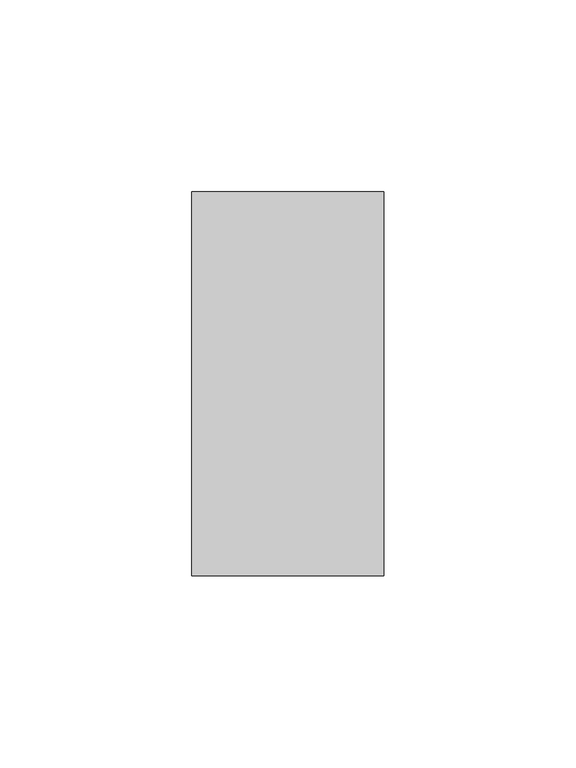
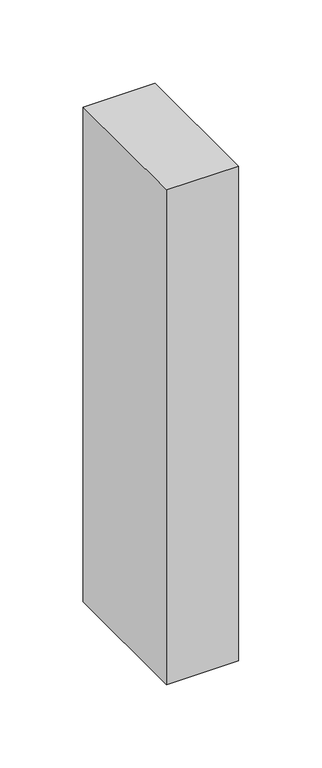
"""IFC4 building model written with IfcOpenShell, lengths in millimetres: member geometry."""

import ifcopenshell
import ifcopenshell.guid

model = None  # the IFC model being written
_history = None  # IfcOwnerHistory: only IFC2X3 demands one
_inside = {}  # id of a spatial element -> (the spatial element, [elements in it])
_under = {}  # id of a project, library or spatial element -> (it, [spatial elements below it])
_declared = {}  # id of a project -> (the project, [libraries it declares])
_typed = {}  # id of a type object -> (the type object, [elements of that type])
_made_of = {}  # id of a material, layer set ... -> (it, [elements and type objects made of it])


def new_model(schema):
    """Start an empty IFC model of exactly this schema.

    Asked for "IFC4X3", IfcOpenShell would pick the latest addendum, in which some entities
    have other attributes; the version numbers below select the first issue.
    IFC2X3 requires an IfcOwnerHistory on every rooted entity: one is made here for all.
    """
    global model, _history
    if schema == "IFC4X3":
        model = ifcopenshell.file(schema_version=(4, 3, 0, 0))
    else:
        model = ifcopenshell.file(schema=schema)
    _inside.clear()
    _under.clear()
    _declared.clear()
    _typed.clear()
    _made_of.clear()
    _history = None
    if model.schema == "IFC2X3":
        org = make("IfcOrganization", Name="unknown")
        user = make(
            "IfcPersonAndOrganization",
            ThePerson=make("IfcPerson", FamilyName="unknown"),
            TheOrganization=org,
        )
        app = make(
            "IfcApplication",
            ApplicationDeveloper=org,
            Version="unknown",
            ApplicationFullName="unknown",
            ApplicationIdentifier="unknown",
        )
        _history = make(
            "IfcOwnerHistory",
            OwningUser=user,
            OwningApplication=app,
            ChangeAction="ADDED",
            CreationDate=0,
        )
    return model


def make(cls, **values):
    """One entity of the class cls with the attributes given. An attribute that is None is left unset."""
    return model.create_entity(
        cls, **{name: value for name, value in values.items() if value is not None}
    )


def rooted(cls, **values):
    """An entity with a GlobalId (a new one), such as an element, a storey or a relation."""
    return make(cls, GlobalId=ifcopenshell.guid.new(), OwnerHistory=_history, **values)


def si_unit(unit_type, name, prefix=None):
    """IfcSIUnit, for example si_unit("LENGTHUNIT", "METRE", prefix="MILLI")."""
    return make("IfcSIUnit", UnitType=unit_type, Prefix=prefix, Name=name)


def assignment(units):
    """IfcUnitAssignment: the units of a project."""
    return None if units is None else make("IfcUnitAssignment", Units=units)


def point(xyz):
    """IfcCartesianPoint."""
    return None if xyz is None else make("IfcCartesianPoint", Coordinates=xyz)


def direction(xyz):
    """IfcDirection."""
    return None if xyz is None else make("IfcDirection", DirectionRatios=xyz)


def frame(location, z_axis=None, x_axis=None):
    """IfcAxis2Placement3D, a coordinate frame: its origin and axes. An axis left out is left unset."""
    return make(
        "IfcAxis2Placement3D",
        Location=point(location),
        Axis=direction(z_axis),
        RefDirection=direction(x_axis),
    )


def origin():
    """The frame at (0, 0, 0) with its axes left unset."""
    return frame((0.0, 0.0, 0.0))


def place(relative_to, where):
    """IfcLocalPlacement: puts the frame where relative to a parent placement (None: the world)."""
    return make(
        "IfcLocalPlacement", PlacementRelTo=relative_to, RelativePlacement=where
    )


def context(
    kind, dimensions, precision=None, world=None, true_north=None, identifier=None
):
    """IfcGeometricRepresentationContext, for example the 3D "Model" context."""
    return make(
        "IfcGeometricRepresentationContext",
        ContextIdentifier=identifier,
        ContextType=kind,
        CoordinateSpaceDimension=dimensions,
        Precision=precision,
        WorldCoordinateSystem=world,
        TrueNorth=true_north,
    )


def project(units=None, contexts=None):
    """IfcProject with its units and contexts."""
    return rooted(
        "IfcProject",
        Name="project",
        RepresentationContexts=contexts,
        UnitsInContext=assignment(units),
    )


def spatial(cls, under=None, at=None, **own):
    """A site, building, storey or space (cls), placed at a placement, below another one or the project."""
    s = rooted(cls, ObjectPlacement=at, **own)
    if under is not None:
        _under.setdefault(under.id(), (under, []))[1].append(s)
    return s


def polyline(points):
    """IfcPolyline through the points."""
    return make("IfcPolyline", Points=[point(p) for p in points])


def outline(outer, holes=None, kind="AREA"):
    """IfcArbitraryClosedProfileDef: a profile drawn as a closed curve; with holes, ...WithVoids."""
    if holes is None:
        return make("IfcArbitraryClosedProfileDef", ProfileType=kind, OuterCurve=outer)
    return make(
        "IfcArbitraryProfileDefWithVoids",
        ProfileType=kind,
        OuterCurve=outer,
        InnerCurves=holes,
    )


def extrude(swept, where, along, depth):
    """IfcExtrudedAreaSolid: the profile swept, set in the frame where, extruded along a direction by depth."""
    return make(
        "IfcExtrudedAreaSolid",
        SweptArea=swept,
        Position=where,
        ExtrudedDirection=direction(along),
        Depth=depth,
    )


def shape(context_of_items, identifier, shape_type, items):
    """IfcShapeRepresentation: the items that make up one representation, for example the "Body"."""
    return make(
        "IfcShapeRepresentation",
        ContextOfItems=context_of_items,
        RepresentationIdentifier=identifier,
        RepresentationType=shape_type,
        Items=items,
    )


def source(mapping_origin, context_of_items, identifier, shape_type, items):
    """IfcRepresentationMap: a shape defined once, which mapped items show again and again."""
    return make(
        "IfcRepresentationMap",
        MappingOrigin=mapping_origin,
        MappedRepresentation=shape(context_of_items, identifier, shape_type, items),
    )


def transform(
    local_origin,
    x_axis=None,
    y_axis=None,
    z_axis=None,
    scale=None,
    scale2=None,
    scale3=None,
    uniform=True,
):
    """IfcCartesianTransformationOperator3D, or its non-uniform kind. x_axis, y_axis, z_axis: its Axis1, 2, 3."""
    if uniform:
        return make(
            "IfcCartesianTransformationOperator3D",
            Axis1=direction(x_axis),
            Axis2=direction(y_axis),
            LocalOrigin=point(local_origin),
            Scale=scale,
            Axis3=direction(z_axis),
        )
    return make(
        "IfcCartesianTransformationOperator3DnonUniform",
        Axis1=direction(x_axis),
        Axis2=direction(y_axis),
        LocalOrigin=point(local_origin),
        Scale=scale,
        Axis3=direction(z_axis),
        Scale2=scale2,
        Scale3=scale3,
    )


def mapped(mapping_source, mapping_target):
    """IfcMappedItem: shows the shape of a source again, moved by a transform."""
    return make(
        "IfcMappedItem", MappingSource=mapping_source, MappingTarget=mapping_target
    )


def made_of(thing, what):
    """Note that an element or type object is made of a material, layer set ...; save() writes the relation."""
    if what is not None:
        _made_of.setdefault(what.id(), (what, []))[1].append(thing)
    return thing


def element(
    cls,
    number,
    at=None,
    inside=None,
    cuts=None,
    type_object=None,
    material=None,
    context=None,
    identifier="Body",
    shape_type=None,
    held_by="IfcProductDefinitionShape",
    body=None,
    shapes=None,
    **own,
):
    """One element of the class cls, such as IfcWall. Its Tag is "e" and its number.

    at: its placement. inside: the storey or other place that contains it. cuts: it is an
    opening in that element (IfcRelVoidsElement). A single representation is given by context,
    identifier, shape_type and body (its items); several are given by shapes. held_by: the class
    of the entity that holds the representations. save() writes the other relations.
    """
    e = rooted(cls, Tag="e%d" % number, ObjectPlacement=at, **own)
    if body is not None:
        shapes = [shape(context, identifier, shape_type, body)]
    if shapes is not None:
        e.Representation = make(held_by, Representations=shapes)
    if inside is not None:
        _inside.setdefault(inside.id(), (inside, []))[1].append(e)
    if cuts is not None:
        rooted(
            "IfcRelVoidsElement", RelatingBuildingElement=cuts, RelatedOpeningElement=e
        )
    if type_object is not None:
        _typed.setdefault(type_object.id(), (type_object, []))[1].append(e)
    return made_of(e, material)


def aggregate(whole, parts):
    """IfcRelAggregates: a whole, such as a stair, and the parts it consists of."""
    return rooted("IfcRelAggregates", RelatingObject=whole, RelatedObjects=parts)


def save(model, path):
    """Write the relations noted so far, then the file.

    IfcRelAggregates (storeys below a building ...), IfcRelContainedInSpatialStructure (elements
    in a storey), IfcRelDefinesByType, IfcRelAssociatesMaterial and IfcRelDeclares: one each for
    every whole, place, type object, material and project.
    """
    for whole, parts in _under.values():
        aggregate(whole, parts)
    for where, things in _inside.values():
        rooted(
            "IfcRelContainedInSpatialStructure",
            RelatedElements=things,
            RelatingStructure=where,
        )
    for kind, things in _typed.values():
        rooted("IfcRelDefinesByType", RelatedObjects=things, RelatingType=kind)
    for what, things in _made_of.values():
        rooted("IfcRelAssociatesMaterial", RelatedObjects=things, RelatingMaterial=what)
    for by, libraries in _declared.values():
        rooted("IfcRelDeclares", RelatingContext=by, RelatedDefinitions=libraries)
    model.write(path)


def member_4443797c(model_context):
    return source(origin(), model_context, "Body", "SweptSolid", [
        extrude(outline(polyline([(25.0, 50.0), (25.0, -50.0), (-25.0, -50.0), (-25.0, 50.0), (25.0, 50.0)])), frame((0.0, 0.0, -362.5), z_axis=(0.0, 0.0, 1.0), x_axis=(1.0, 0.0, 0.0)), (0.0, 0.0, 1.0), 362.5),
    ])


if __name__ == "__main__":
    model = new_model("IFC4")
    model_context = context("Model", 3, world=origin())
    ifc_project = project(units=[si_unit("LENGTHUNIT", "METRE", prefix="MILLI")], contexts=[model_context])
    site = spatial("IfcSite", under=ifc_project)
    building = spatial("IfcBuilding", under=site)
    placement = place(None, origin())
    member_shape = member_4443797c(model_context)
    element("IfcMember", 1, at=placement, inside=building, context=model_context, shape_type="MappedRepresentation", body=[
        mapped(member_shape, transform((0.0, 0.0, 0.0), x_axis=(1.0, 0.0, 0.0), y_axis=(0.0, 1.0, 0.0), z_axis=(0.0, 0.0, 1.0))),
    ])
    save(model, "model.ifc")
